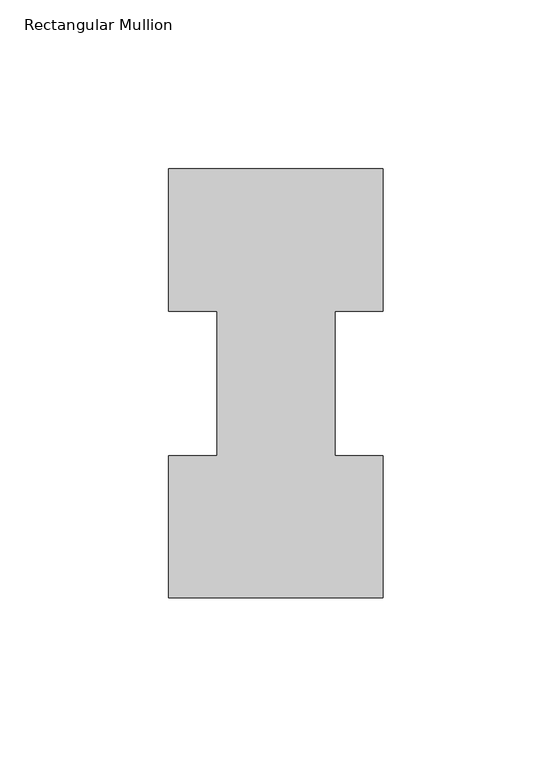
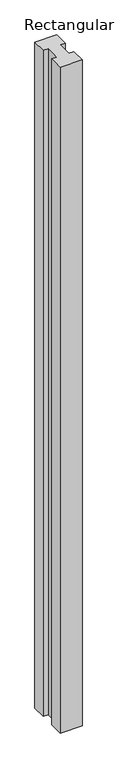
"""IFC4 building model written with IfcOpenShell, lengths in millimetres: member geometry, Rectangular Mullion."""

from ifc_helpers import new_model, si_unit, frame, origin, place, context, project, spatial, polyline, outline, extrude, source, transform, mapped, element, save


def rectangular_mullion_a694abcd(model_context):
    return source(origin(), model_context, "Body", "SweptSolid", [
        extrude(outline(polyline([(-31.75, 126.7086938), (31.75, 126.7086938), (31.75, 84.6335938), (17.4625, 84.6335938), (17.4625, 41.7837937), (31.75, 41.7837937), (31.75, -0.2913062), (-31.75, -0.2913062), (-31.75, 41.7837937), (-17.4625, 41.7837937), (-17.4625, 84.6335938), (-31.75, 84.6335938), (-31.75, 126.7086938)])), frame((0.0, 0.0, -2044.7177772), z_axis=(0.0, 0.0, 1.0), x_axis=(1.0, 0.0, 0.0)), (0.0, 0.0, 1.0), 2044.7177772),
    ])


if __name__ == "__main__":
    model = new_model("IFC4")
    model_context = context("Model", 3, world=origin())
    ifc_project = project(units=[si_unit("LENGTHUNIT", "METRE", prefix="MILLI")], contexts=[model_context])
    site = spatial("IfcSite", under=ifc_project)
    building = spatial("IfcBuilding", under=site)
    placement = place(None, origin())
    rectangular_mullion_shape = rectangular_mullion_a694abcd(model_context)
    element("IfcMember", 1, ObjectType="Rectangular Mullion", at=placement, inside=building, context=model_context, shape_type="MappedRepresentation", body=[
        mapped(rectangular_mullion_shape, transform((0.0, 0.0, 0.0), x_axis=(1.0, 0.0, 0.0), y_axis=(0.0, 1.0, 0.0), z_axis=(0.0, 0.0, 1.0))),
    ])
    save(model, "model.ifc")
